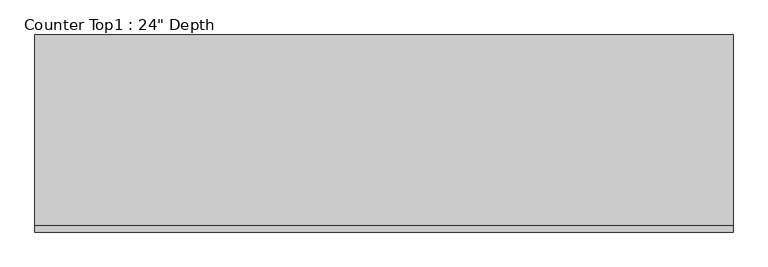
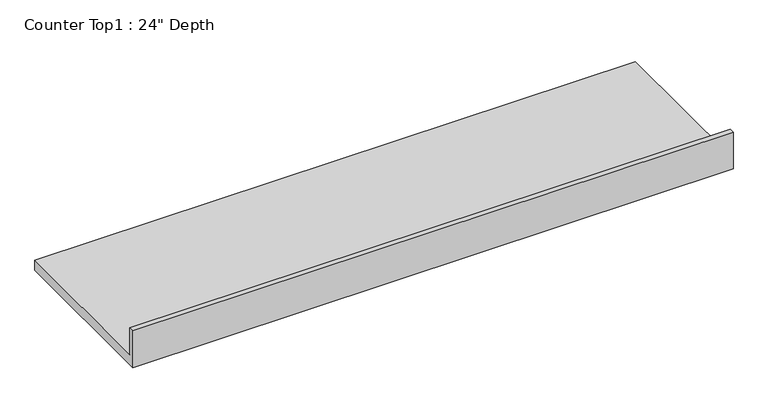
"""IFC4 building model written with IfcOpenShell, lengths in millimetres: furniture geometry."""

import ifcopenshell
import ifcopenshell.guid

model = None  # the IFC model being written
_history = None  # IfcOwnerHistory: only IFC2X3 demands one
_inside = {}  # id of a spatial element -> (the spatial element, [elements in it])
_under = {}  # id of a project, library or spatial element -> (it, [spatial elements below it])
_declared = {}  # id of a project -> (the project, [libraries it declares])
_typed = {}  # id of a type object -> (the type object, [elements of that type])
_made_of = {}  # id of a material, layer set ... -> (it, [elements and type objects made of it])


def new_model(schema):
    """Start an empty IFC model of exactly this schema.

    Asked for "IFC4X3", IfcOpenShell would pick the latest addendum, in which some entities
    have other attributes; the version numbers below select the first issue.
    IFC2X3 requires an IfcOwnerHistory on every rooted entity: one is made here for all.
    """
    global model, _history
    if schema == "IFC4X3":
        model = ifcopenshell.file(schema_version=(4, 3, 0, 0))
    else:
        model = ifcopenshell.file(schema=schema)
    _inside.clear()
    _under.clear()
    _declared.clear()
    _typed.clear()
    _made_of.clear()
    _history = None
    if model.schema == "IFC2X3":
        org = make("IfcOrganization", Name="unknown")
        user = make(
            "IfcPersonAndOrganization",
            ThePerson=make("IfcPerson", FamilyName="unknown"),
            TheOrganization=org,
        )
        app = make(
            "IfcApplication",
            ApplicationDeveloper=org,
            Version="unknown",
            ApplicationFullName="unknown",
            ApplicationIdentifier="unknown",
        )
        _history = make(
            "IfcOwnerHistory",
            OwningUser=user,
            OwningApplication=app,
            ChangeAction="ADDED",
            CreationDate=0,
        )
    return model


def make(cls, **values):
    """One entity of the class cls with the attributes given. An attribute that is None is left unset."""
    return model.create_entity(
        cls, **{name: value for name, value in values.items() if value is not None}
    )


def rooted(cls, **values):
    """An entity with a GlobalId (a new one), such as an element, a storey or a relation."""
    return make(cls, GlobalId=ifcopenshell.guid.new(), OwnerHistory=_history, **values)


def si_unit(unit_type, name, prefix=None):
    """IfcSIUnit, for example si_unit("LENGTHUNIT", "METRE", prefix="MILLI")."""
    return make("IfcSIUnit", UnitType=unit_type, Prefix=prefix, Name=name)


def assignment(units):
    """IfcUnitAssignment: the units of a project."""
    return None if units is None else make("IfcUnitAssignment", Units=units)


def point(xyz):
    """IfcCartesianPoint."""
    return None if xyz is None else make("IfcCartesianPoint", Coordinates=xyz)


def direction(xyz):
    """IfcDirection."""
    return None if xyz is None else make("IfcDirection", DirectionRatios=xyz)


def frame(location, z_axis=None, x_axis=None):
    """IfcAxis2Placement3D, a coordinate frame: its origin and axes. An axis left out is left unset."""
    return make(
        "IfcAxis2Placement3D",
        Location=point(location),
        Axis=direction(z_axis),
        RefDirection=direction(x_axis),
    )


def origin():
    """The frame at (0, 0, 0) with its axes left unset."""
    return frame((0.0, 0.0, 0.0))


def place(relative_to, where):
    """IfcLocalPlacement: puts the frame where relative to a parent placement (None: the world)."""
    return make(
        "IfcLocalPlacement", PlacementRelTo=relative_to, RelativePlacement=where
    )


def context(
    kind, dimensions, precision=None, world=None, true_north=None, identifier=None
):
    """IfcGeometricRepresentationContext, for example the 3D "Model" context."""
    return make(
        "IfcGeometricRepresentationContext",
        ContextIdentifier=identifier,
        ContextType=kind,
        CoordinateSpaceDimension=dimensions,
        Precision=precision,
        WorldCoordinateSystem=world,
        TrueNorth=true_north,
    )


def project(units=None, contexts=None):
    """IfcProject with its units and contexts."""
    return rooted(
        "IfcProject",
        Name="project",
        RepresentationContexts=contexts,
        UnitsInContext=assignment(units),
    )


def spatial(cls, under=None, at=None, **own):
    """A site, building, storey or space (cls), placed at a placement, below another one or the project."""
    s = rooted(cls, ObjectPlacement=at, **own)
    if under is not None:
        _under.setdefault(under.id(), (under, []))[1].append(s)
    return s


def polyline(points):
    """IfcPolyline through the points."""
    return make("IfcPolyline", Points=[point(p) for p in points])


def outline(outer, holes=None, kind="AREA"):
    """IfcArbitraryClosedProfileDef: a profile drawn as a closed curve; with holes, ...WithVoids."""
    if holes is None:
        return make("IfcArbitraryClosedProfileDef", ProfileType=kind, OuterCurve=outer)
    return make(
        "IfcArbitraryProfileDefWithVoids",
        ProfileType=kind,
        OuterCurve=outer,
        InnerCurves=holes,
    )


def extrude(swept, where, along, depth):
    """IfcExtrudedAreaSolid: the profile swept, set in the frame where, extruded along a direction by depth."""
    return make(
        "IfcExtrudedAreaSolid",
        SweptArea=swept,
        Position=where,
        ExtrudedDirection=direction(along),
        Depth=depth,
    )


def shape(context_of_items, identifier, shape_type, items):
    """IfcShapeRepresentation: the items that make up one representation, for example the "Body"."""
    return make(
        "IfcShapeRepresentation",
        ContextOfItems=context_of_items,
        RepresentationIdentifier=identifier,
        RepresentationType=shape_type,
        Items=items,
    )


def source(mapping_origin, context_of_items, identifier, shape_type, items):
    """IfcRepresentationMap: a shape defined once, which mapped items show again and again."""
    return make(
        "IfcRepresentationMap",
        MappingOrigin=mapping_origin,
        MappedRepresentation=shape(context_of_items, identifier, shape_type, items),
    )


def transform(
    local_origin,
    x_axis=None,
    y_axis=None,
    z_axis=None,
    scale=None,
    scale2=None,
    scale3=None,
    uniform=True,
):
    """IfcCartesianTransformationOperator3D, or its non-uniform kind. x_axis, y_axis, z_axis: its Axis1, 2, 3."""
    if uniform:
        return make(
            "IfcCartesianTransformationOperator3D",
            Axis1=direction(x_axis),
            Axis2=direction(y_axis),
            LocalOrigin=point(local_origin),
            Scale=scale,
            Axis3=direction(z_axis),
        )
    return make(
        "IfcCartesianTransformationOperator3DnonUniform",
        Axis1=direction(x_axis),
        Axis2=direction(y_axis),
        LocalOrigin=point(local_origin),
        Scale=scale,
        Axis3=direction(z_axis),
        Scale2=scale2,
        Scale3=scale3,
    )


def mapped(mapping_source, mapping_target):
    """IfcMappedItem: shows the shape of a source again, moved by a transform."""
    return make(
        "IfcMappedItem", MappingSource=mapping_source, MappingTarget=mapping_target
    )


def made_of(thing, what):
    """Note that an element or type object is made of a material, layer set ...; save() writes the relation."""
    if what is not None:
        _made_of.setdefault(what.id(), (what, []))[1].append(thing)
    return thing


def element(
    cls,
    number,
    at=None,
    inside=None,
    cuts=None,
    type_object=None,
    material=None,
    context=None,
    identifier="Body",
    shape_type=None,
    held_by="IfcProductDefinitionShape",
    body=None,
    shapes=None,
    **own,
):
    """One element of the class cls, such as IfcWall. Its Tag is "e" and its number.

    at: its placement. inside: the storey or other place that contains it. cuts: it is an
    opening in that element (IfcRelVoidsElement). A single representation is given by context,
    identifier, shape_type and body (its items); several are given by shapes. held_by: the class
    of the entity that holds the representations. save() writes the other relations.
    """
    e = rooted(cls, Tag="e%d" % number, ObjectPlacement=at, **own)
    if body is not None:
        shapes = [shape(context, identifier, shape_type, body)]
    if shapes is not None:
        e.Representation = make(held_by, Representations=shapes)
    if inside is not None:
        _inside.setdefault(inside.id(), (inside, []))[1].append(e)
    if cuts is not None:
        rooted(
            "IfcRelVoidsElement", RelatingBuildingElement=cuts, RelatedOpeningElement=e
        )
    if type_object is not None:
        _typed.setdefault(type_object.id(), (type_object, []))[1].append(e)
    return made_of(e, material)


def aggregate(whole, parts):
    """IfcRelAggregates: a whole, such as a stair, and the parts it consists of."""
    return rooted("IfcRelAggregates", RelatingObject=whole, RelatedObjects=parts)


def save(model, path):
    """Write the relations noted so far, then the file.

    IfcRelAggregates (storeys below a building ...), IfcRelContainedInSpatialStructure (elements
    in a storey), IfcRelDefinesByType, IfcRelAssociatesMaterial and IfcRelDeclares: one each for
    every whole, place, type object, material and project.
    """
    for whole, parts in _under.values():
        aggregate(whole, parts)
    for where, things in _inside.values():
        rooted(
            "IfcRelContainedInSpatialStructure",
            RelatedElements=things,
            RelatingStructure=where,
        )
    for kind, things in _typed.values():
        rooted("IfcRelDefinesByType", RelatedObjects=things, RelatingType=kind)
    for what, things in _made_of.values():
        rooted("IfcRelAssociatesMaterial", RelatedObjects=things, RelatingMaterial=what)
    for by, libraries in _declared.values():
        rooted("IfcRelDeclares", RelatingContext=by, RelatedDefinitions=libraries)
    model.write(path)


def furniture_573bb2ba(model_context):
    return source(origin(), model_context, "Body", "SweptSolid", [
        extrude(outline(polyline([(0.0, 1016.0), (19.05, 1016.0), (19.05, 914.4), (609.6, 914.4), (609.6, 876.3), (0.0, 876.3), (0.0, 1016.0)])), frame((-1200.4622951, 0.0, 0.0), z_axis=(1.0, 0.0, 0.0), x_axis=(0.0, 1.0, 0.0)), (0.0, 0.0, 1.0), 2159.0),
    ])


if __name__ == "__main__":
    model = new_model("IFC4")
    model_context = context("Model", 3, world=origin())
    ifc_project = project(units=[si_unit("LENGTHUNIT", "METRE", prefix="MILLI")], contexts=[model_context])
    site = spatial("IfcSite", under=ifc_project)
    building = spatial("IfcBuilding", under=site)
    placement = place(None, origin())
    furniture_shape = furniture_573bb2ba(model_context)
    element("IfcFurniture", 1, ObjectType="Counter Top1 : 24\" Depth", at=placement, inside=building, context=model_context, shape_type="MappedRepresentation", body=[
        mapped(furniture_shape, transform((0.0, 0.0, 0.0), x_axis=(1.0, 0.0, 0.0), y_axis=(0.0, 1.0, 0.0), z_axis=(0.0, 0.0, 1.0))),
    ])
    save(model, "model.ifc")
